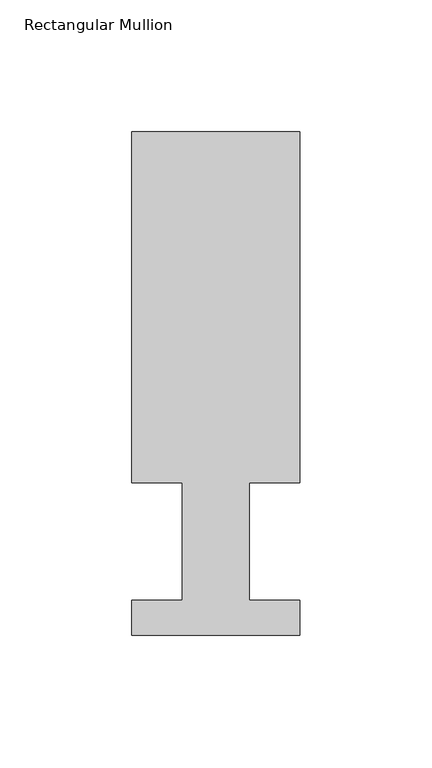
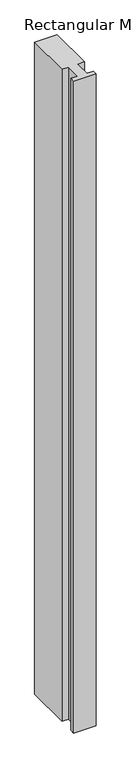
"""IFC4 building model written with IfcOpenShell, lengths in millimetres: member geometry, Rectangular Mullion."""

from ifc_helpers import new_model, si_unit, frame, origin, place, context, project, spatial, polyline, outline, extrude, source, transform, mapped, element, save


def rectangular_mullion_e8391e91(model_context):
    return source(origin(), model_context, "Body", "SweptSolid", [
        extrude(outline(polyline([(-31.75, 190.5896937), (31.75, 190.5896937), (31.75, 57.6460937), (12.7, 57.6460938), (12.7, 13.1960937), (31.75, 13.1960937), (31.75, 0.0134937), (-31.75, 0.0134937), (-31.75, 13.1960937), (-12.7, 13.1960937), (-12.7, 57.6460937), (-31.75, 57.6460937), (-31.75, 190.5896937)])), frame((0.0, 0.0, -1943.1), z_axis=(0.0, 0.0, 1.0), x_axis=(1.0, 0.0, 0.0)), (0.0, 0.0, 1.0), 1943.1),
    ])


if __name__ == "__main__":
    model = new_model("IFC4")
    model_context = context("Model", 3, world=origin())
    ifc_project = project(units=[si_unit("LENGTHUNIT", "METRE", prefix="MILLI")], contexts=[model_context])
    site = spatial("IfcSite", under=ifc_project)
    building = spatial("IfcBuilding", under=site)
    placement = place(None, origin())
    rectangular_mullion_shape = rectangular_mullion_e8391e91(model_context)
    element("IfcMember", 1, ObjectType="Rectangular Mullion", at=placement, inside=building, context=model_context, shape_type="MappedRepresentation", body=[
        mapped(rectangular_mullion_shape, transform((0.0, 0.0, 0.0), x_axis=(1.0, 0.0, 0.0), y_axis=(0.0, 1.0, 0.0), z_axis=(0.0, 0.0, 1.0))),
    ])
    save(model, "model.ifc")
